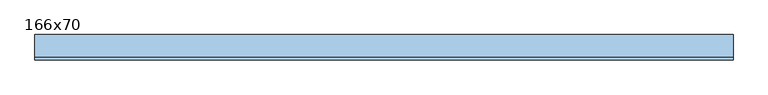
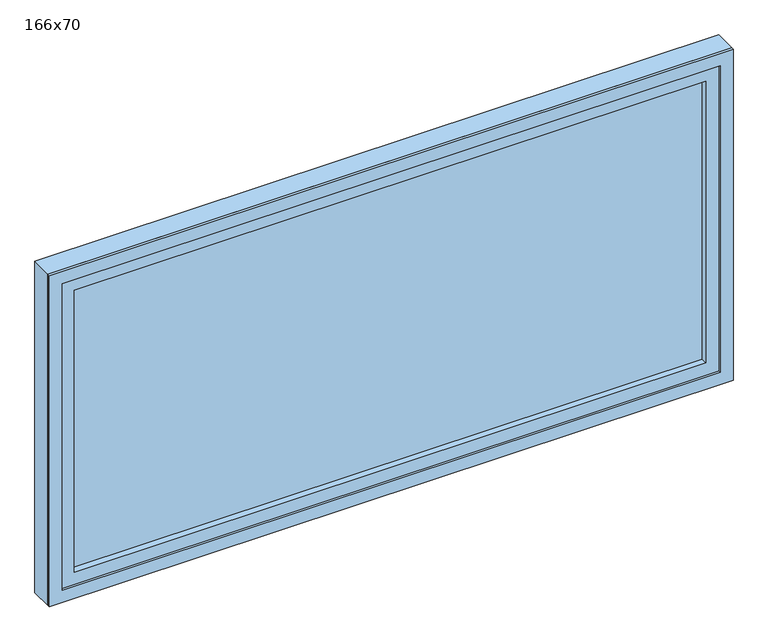
"""IFC4 building model written with IfcOpenShell, lengths in millimetres: window geometry, 166x70."""

from ifc_helpers import new_model, si_unit, frame, origin, place, context, project, spatial, polyline, outline, extrude, source, transform, mapped, element, save


def window_166x70_fde3b070(model_context):
    return source(origin(), model_context, "Body", "SweptSolid", [
        extrude(outline(polyline([(728.4, -8.575), (-804.6, -8.575), (-804.6, 4.125), (728.4, 4.125), (728.4, -8.575)])), frame((0.0, 0.0, 977.9), z_axis=(0.0, 0.0, 1.0), x_axis=(1.0, 0.0, 0.0)), (0.0, 0.0, 1.0), 723.0),
        extrude(outline(polyline([(1745.35, -849.05), (933.45, -849.05), (933.45, 772.85), (1745.35, 772.85), (1745.35, -849.05)]), holes=[polyline([(1700.9, -804.6), (1700.9, 728.4), (977.9, 728.4), (977.9, -804.6), (1700.9, -804.6)])]), frame((0.0, -24.45, 0.0), z_axis=(0.0, 1.0, 0.0), x_axis=(0.0, 0.0, 1.0)), (0.0, 0.0, 1.0), 44.45),
        extrude(outline(polyline([(1764.4, -868.1), (914.4, -868.1), (914.4, 791.9), (1764.4, 791.9), (1764.4, -868.1)]), holes=[polyline([(1732.65, -836.35), (1732.65, 760.15), (946.15, 760.15), (946.15, -836.35), (1732.65, -836.35)])]), frame((0.0, -30.0, 0.0), z_axis=(0.0, 1.0, 0.0), x_axis=(0.0, 0.0, 1.0)), (0.0, 0.0, 1.0), 5.55),
        extrude(outline(polyline([(1764.4, 791.9), (1764.4, -868.1), (914.4, -868.1), (914.4, 791.9), (1764.4, 791.9)]), holes=[polyline([(1745.35, 772.85), (933.45, 772.85), (933.45, -849.05), (1745.35, -849.05), (1745.35, 772.85)])]), frame((0.0, -24.45, 0.0), z_axis=(0.0, 1.0, 0.0), x_axis=(0.0, 0.0, 1.0)), (0.0, 0.0, 1.0), 54.45),
    ])


if __name__ == "__main__":
    model = new_model("IFC4")
    model_context = context("Model", 3, world=origin())
    ifc_project = project(units=[si_unit("LENGTHUNIT", "METRE", prefix="MILLI")], contexts=[model_context])
    site = spatial("IfcSite", under=ifc_project)
    building = spatial("IfcBuilding", under=site)
    placement = place(None, origin())
    window_166x70_shape = window_166x70_fde3b070(model_context)
    element("IfcWindow", 1, ObjectType="166x70", at=placement, inside=building, context=model_context, shape_type="MappedRepresentation", body=[
        mapped(window_166x70_shape, transform((0.0, 0.0, 0.0), x_axis=(1.0, 0.0, 0.0), y_axis=(0.0, 1.0, 0.0), z_axis=(0.0, 0.0, 1.0))),
    ])
    save(model, "model.ifc")
